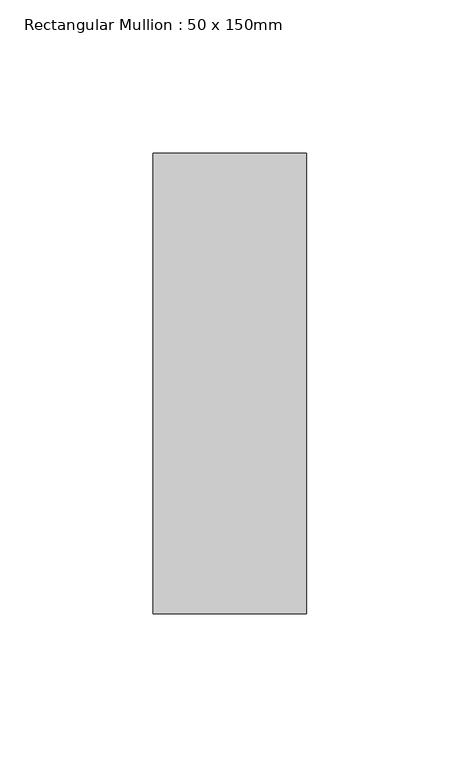
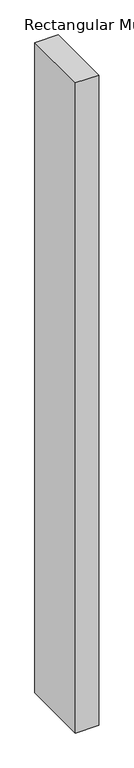
"""IFC4 building model written with IfcOpenShell, lengths in millimetres: member geometry, Rectangular Mullion : 50 x 150mm."""

import ifcopenshell
import ifcopenshell.guid

model = None  # the IFC model being written
_history = None  # IfcOwnerHistory: only IFC2X3 demands one
_inside = {}  # id of a spatial element -> (the spatial element, [elements in it])
_under = {}  # id of a project, library or spatial element -> (it, [spatial elements below it])
_declared = {}  # id of a project -> (the project, [libraries it declares])
_typed = {}  # id of a type object -> (the type object, [elements of that type])
_made_of = {}  # id of a material, layer set ... -> (it, [elements and type objects made of it])


def new_model(schema):
    """Start an empty IFC model of exactly this schema.

    Asked for "IFC4X3", IfcOpenShell would pick the latest addendum, in which some entities
    have other attributes; the version numbers below select the first issue.
    IFC2X3 requires an IfcOwnerHistory on every rooted entity: one is made here for all.
    """
    global model, _history
    if schema == "IFC4X3":
        model = ifcopenshell.file(schema_version=(4, 3, 0, 0))
    else:
        model = ifcopenshell.file(schema=schema)
    _inside.clear()
    _under.clear()
    _declared.clear()
    _typed.clear()
    _made_of.clear()
    _history = None
    if model.schema == "IFC2X3":
        org = make("IfcOrganization", Name="unknown")
        user = make(
            "IfcPersonAndOrganization",
            ThePerson=make("IfcPerson", FamilyName="unknown"),
            TheOrganization=org,
        )
        app = make(
            "IfcApplication",
            ApplicationDeveloper=org,
            Version="unknown",
            ApplicationFullName="unknown",
            ApplicationIdentifier="unknown",
        )
        _history = make(
            "IfcOwnerHistory",
            OwningUser=user,
            OwningApplication=app,
            ChangeAction="ADDED",
            CreationDate=0,
        )
    return model


def make(cls, **values):
    """One entity of the class cls with the attributes given. An attribute that is None is left unset."""
    return model.create_entity(
        cls, **{name: value for name, value in values.items() if value is not None}
    )


def rooted(cls, **values):
    """An entity with a GlobalId (a new one), such as an element, a storey or a relation."""
    return make(cls, GlobalId=ifcopenshell.guid.new(), OwnerHistory=_history, **values)


def si_unit(unit_type, name, prefix=None):
    """IfcSIUnit, for example si_unit("LENGTHUNIT", "METRE", prefix="MILLI")."""
    return make("IfcSIUnit", UnitType=unit_type, Prefix=prefix, Name=name)


def assignment(units):
    """IfcUnitAssignment: the units of a project."""
    return None if units is None else make("IfcUnitAssignment", Units=units)


def point(xyz):
    """IfcCartesianPoint."""
    return None if xyz is None else make("IfcCartesianPoint", Coordinates=xyz)


def direction(xyz):
    """IfcDirection."""
    return None if xyz is None else make("IfcDirection", DirectionRatios=xyz)


def frame(location, z_axis=None, x_axis=None):
    """IfcAxis2Placement3D, a coordinate frame: its origin and axes. An axis left out is left unset."""
    return make(
        "IfcAxis2Placement3D",
        Location=point(location),
        Axis=direction(z_axis),
        RefDirection=direction(x_axis),
    )


def origin():
    """The frame at (0, 0, 0) with its axes left unset."""
    return frame((0.0, 0.0, 0.0))


def place(relative_to, where):
    """IfcLocalPlacement: puts the frame where relative to a parent placement (None: the world)."""
    return make(
        "IfcLocalPlacement", PlacementRelTo=relative_to, RelativePlacement=where
    )


def context(
    kind, dimensions, precision=None, world=None, true_north=None, identifier=None
):
    """IfcGeometricRepresentationContext, for example the 3D "Model" context."""
    return make(
        "IfcGeometricRepresentationContext",
        ContextIdentifier=identifier,
        ContextType=kind,
        CoordinateSpaceDimension=dimensions,
        Precision=precision,
        WorldCoordinateSystem=world,
        TrueNorth=true_north,
    )


def project(units=None, contexts=None):
    """IfcProject with its units and contexts."""
    return rooted(
        "IfcProject",
        Name="project",
        RepresentationContexts=contexts,
        UnitsInContext=assignment(units),
    )


def spatial(cls, under=None, at=None, **own):
    """A site, building, storey or space (cls), placed at a placement, below another one or the project."""
    s = rooted(cls, ObjectPlacement=at, **own)
    if under is not None:
        _under.setdefault(under.id(), (under, []))[1].append(s)
    return s


def polyline(points):
    """IfcPolyline through the points."""
    return make("IfcPolyline", Points=[point(p) for p in points])


def outline(outer, holes=None, kind="AREA"):
    """IfcArbitraryClosedProfileDef: a profile drawn as a closed curve; with holes, ...WithVoids."""
    if holes is None:
        return make("IfcArbitraryClosedProfileDef", ProfileType=kind, OuterCurve=outer)
    return make(
        "IfcArbitraryProfileDefWithVoids",
        ProfileType=kind,
        OuterCurve=outer,
        InnerCurves=holes,
    )


def extrude(swept, where, along, depth):
    """IfcExtrudedAreaSolid: the profile swept, set in the frame where, extruded along a direction by depth."""
    return make(
        "IfcExtrudedAreaSolid",
        SweptArea=swept,
        Position=where,
        ExtrudedDirection=direction(along),
        Depth=depth,
    )


def shape(context_of_items, identifier, shape_type, items):
    """IfcShapeRepresentation: the items that make up one representation, for example the "Body"."""
    return make(
        "IfcShapeRepresentation",
        ContextOfItems=context_of_items,
        RepresentationIdentifier=identifier,
        RepresentationType=shape_type,
        Items=items,
    )


def source(mapping_origin, context_of_items, identifier, shape_type, items):
    """IfcRepresentationMap: a shape defined once, which mapped items show again and again."""
    return make(
        "IfcRepresentationMap",
        MappingOrigin=mapping_origin,
        MappedRepresentation=shape(context_of_items, identifier, shape_type, items),
    )


def transform(
    local_origin,
    x_axis=None,
    y_axis=None,
    z_axis=None,
    scale=None,
    scale2=None,
    scale3=None,
    uniform=True,
):
    """IfcCartesianTransformationOperator3D, or its non-uniform kind. x_axis, y_axis, z_axis: its Axis1, 2, 3."""
    if uniform:
        return make(
            "IfcCartesianTransformationOperator3D",
            Axis1=direction(x_axis),
            Axis2=direction(y_axis),
            LocalOrigin=point(local_origin),
            Scale=scale,
            Axis3=direction(z_axis),
        )
    return make(
        "IfcCartesianTransformationOperator3DnonUniform",
        Axis1=direction(x_axis),
        Axis2=direction(y_axis),
        LocalOrigin=point(local_origin),
        Scale=scale,
        Axis3=direction(z_axis),
        Scale2=scale2,
        Scale3=scale3,
    )


def mapped(mapping_source, mapping_target):
    """IfcMappedItem: shows the shape of a source again, moved by a transform."""
    return make(
        "IfcMappedItem", MappingSource=mapping_source, MappingTarget=mapping_target
    )


def made_of(thing, what):
    """Note that an element or type object is made of a material, layer set ...; save() writes the relation."""
    if what is not None:
        _made_of.setdefault(what.id(), (what, []))[1].append(thing)
    return thing


def element(
    cls,
    number,
    at=None,
    inside=None,
    cuts=None,
    type_object=None,
    material=None,
    context=None,
    identifier="Body",
    shape_type=None,
    held_by="IfcProductDefinitionShape",
    body=None,
    shapes=None,
    **own,
):
    """One element of the class cls, such as IfcWall. Its Tag is "e" and its number.

    at: its placement. inside: the storey or other place that contains it. cuts: it is an
    opening in that element (IfcRelVoidsElement). A single representation is given by context,
    identifier, shape_type and body (its items); several are given by shapes. held_by: the class
    of the entity that holds the representations. save() writes the other relations.
    """
    e = rooted(cls, Tag="e%d" % number, ObjectPlacement=at, **own)
    if body is not None:
        shapes = [shape(context, identifier, shape_type, body)]
    if shapes is not None:
        e.Representation = make(held_by, Representations=shapes)
    if inside is not None:
        _inside.setdefault(inside.id(), (inside, []))[1].append(e)
    if cuts is not None:
        rooted(
            "IfcRelVoidsElement", RelatingBuildingElement=cuts, RelatedOpeningElement=e
        )
    if type_object is not None:
        _typed.setdefault(type_object.id(), (type_object, []))[1].append(e)
    return made_of(e, material)


def aggregate(whole, parts):
    """IfcRelAggregates: a whole, such as a stair, and the parts it consists of."""
    return rooted("IfcRelAggregates", RelatingObject=whole, RelatedObjects=parts)


def save(model, path):
    """Write the relations noted so far, then the file.

    IfcRelAggregates (storeys below a building ...), IfcRelContainedInSpatialStructure (elements
    in a storey), IfcRelDefinesByType, IfcRelAssociatesMaterial and IfcRelDeclares: one each for
    every whole, place, type object, material and project.
    """
    for whole, parts in _under.values():
        aggregate(whole, parts)
    for where, things in _inside.values():
        rooted(
            "IfcRelContainedInSpatialStructure",
            RelatedElements=things,
            RelatingStructure=where,
        )
    for kind, things in _typed.values():
        rooted("IfcRelDefinesByType", RelatedObjects=things, RelatingType=kind)
    for what, things in _made_of.values():
        rooted("IfcRelAssociatesMaterial", RelatedObjects=things, RelatingMaterial=what)
    for by, libraries in _declared.values():
        rooted("IfcRelDeclares", RelatingContext=by, RelatedDefinitions=libraries)
    model.write(path)


def rectangular_mullion_50_x_150mm_92c36115(model_context):
    return source(origin(), model_context, "Body", "SweptSolid", [
        extrude(outline(polyline([(25.0, 75.0), (25.0, -75.0), (-25.0, -75.0), (-25.0, 75.0), (25.0, 75.0)])), frame((0.0, 0.0, -1470.3334645), z_axis=(0.0, 0.0, 1.0), x_axis=(1.0, 0.0, 0.0)), (0.0, 0.0, 1.0), 1470.3334645),
    ])


if __name__ == "__main__":
    model = new_model("IFC4")
    model_context = context("Model", 3, world=origin())
    ifc_project = project(units=[si_unit("LENGTHUNIT", "METRE", prefix="MILLI")], contexts=[model_context])
    site = spatial("IfcSite", under=ifc_project)
    building = spatial("IfcBuilding", under=site)
    placement = place(None, origin())
    rectangular_mullion_50_x_150mm_shape = rectangular_mullion_50_x_150mm_92c36115(model_context)
    element("IfcMember", 1, ObjectType="Rectangular Mullion : 50 x 150mm", at=placement, inside=building, context=model_context, shape_type="MappedRepresentation", body=[
        mapped(rectangular_mullion_50_x_150mm_shape, transform((0.0, 0.0, 0.0), x_axis=(1.0, 0.0, 0.0), y_axis=(0.0, 1.0, 0.0), z_axis=(0.0, 0.0, 1.0))),
    ])
    save(model, "model.ifc")
